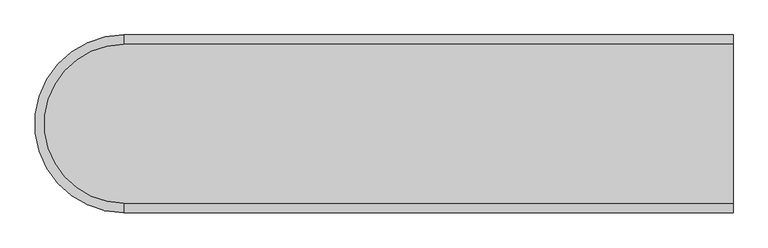
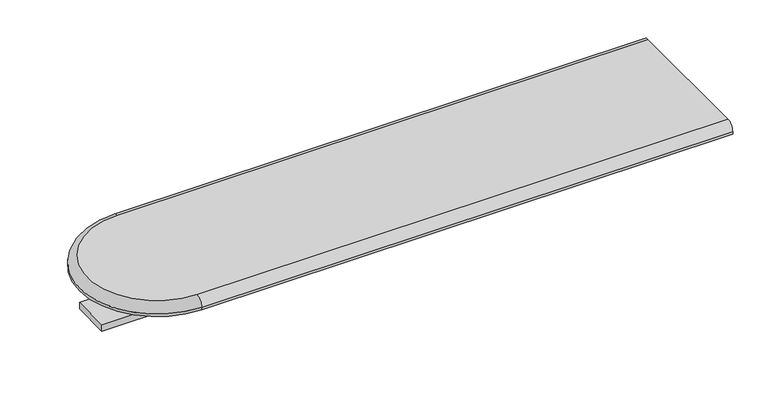
"""IFC4 building model written with IfcOpenShell, lengths in millimetres: furniture geometry."""

from ifc_helpers import new_model, si_unit, point, frame, frame_2d, origin, place, context, project, spatial, polyline, circle_curve, ellipse_curve, trimmed, segment, composite_curve, outline, extrude, source, transform, mapped, element, save
from ifc_brep_helpers import plane_surface, cylinder_surface, revolved_surface, advanced_brep


def furniture_666e672f(model_context):
    return source(origin(), model_context, "Body", "SolidModel", [
        advanced_brep(
        [(-860.8471981, 1154.1353662, 1082.675), (-860.8471981, 836.6353662, 1082.675), (358.3528019, 836.6353662, 1082.675), (358.3528019, 1154.1353662, 1082.675), (-860.8471981, 817.5853662, 1057.274997), (-860.8471981, 1173.1853662, 1057.274997), (358.3528019, 1173.1853662, 1057.274997), (358.3528019, 817.5853662, 1057.274997), (-860.8471981, 817.5853662, 1063.625), (-860.8471981, 1173.1853662, 1063.625), (358.3528019, 817.5853662, 1063.625), (358.3528019, 1173.1853662, 1063.625)],
        [
            (0, 1, circle_curve(frame((-860.8471981, 995.3853662, 1082.675), z_axis=(0.0, 0.0, 1.0), x_axis=(0.0, 1.0, 0.0)), 158.75)),
            (1, 2),
            (2, 3),
            (3, 0),
            (4, 5, circle_curve(frame((-860.8471981, 995.3853662, 1057.274997), z_axis=(0.0, 0.0, -1.0), x_axis=(0.0, 1.0, 0.0)), 177.8)),
            (5, 6),
            (6, 7),
            (7, 4),
            (4, 8),
            (8, 9, circle_curve(frame((-860.8471981, 995.3853662, 1063.625), z_axis=(0.0, 0.0, -1.0), x_axis=(0.0, 1.0, 0.0)), 177.8)),
            (9, 5),
            (0, 9, circle_curve(frame((-860.8471981, 1154.1353662, 1063.625), z_axis=(-1.0, 0.0, 0.0), x_axis=(0.0, 1.0, 0.0)), 19.05)),
            (8, 1, circle_curve(frame((-860.8471981, 836.6353662, 1063.625), z_axis=(-1.0, 0.0, 0.0), x_axis=(0.0, -1.0, 0.0)), 19.05)),
            (2, 10, circle_curve(frame((358.3528019, 836.6353662, 1063.625), z_axis=(1.0, 0.0, 0.0), x_axis=(0.0, 1.0, 0.0)), 19.05)),
            (10, 7),
            (6, 11),
            (11, 3, circle_curve(frame((358.3528019, 1154.1353662, 1063.625), z_axis=(1.0, 0.0, 0.0), x_axis=(0.0, 1.0, 0.0)), 19.05)),
            (8, 10),
            (9, 11),
        ],
        [
            plane_surface(frame((-860.8471981, 995.3853662, 1082.675), z_axis=(0.0, 0.0, 1.0), x_axis=(0.0, 1.0, 0.0))),
            plane_surface(frame((-860.8471981, 995.3853662, 1057.274997), z_axis=(0.0, 0.0, -1.0), x_axis=(0.0, 1.0, 0.0))),
            cylinder_surface(frame((-860.8471981, 995.3853662, 2440.9722001), z_axis=(0.0, 0.0, 1.0), x_axis=(0.0, 1.0, 0.0)), 177.8),
            revolved_surface(trimmed(ellipse_curve(frame((-860.8471981, 1154.1353662, 1063.625), z_axis=(1.0, 0.0, 0.0), x_axis=(0.0, 1.0, 0.0)), 19.05, 19.05), [point((-860.8471981, 1173.1853662, 1063.625))], [point((-860.8471981, 1154.1353662, 1082.675))], True, "CARTESIAN"), (-860.8471981, 995.3853662, 2440.9722001), (0.0, 0.0, 1.0)),
            plane_surface(frame((358.3528019, 855.6853662, 1063.625), z_axis=(1.0, 0.0, 0.0), x_axis=(0.0, 0.0, 1.0))),
            cylinder_surface(frame((-860.8471981, 836.6353662, 1063.625), z_axis=(1.0, 0.0, 0.0), x_axis=(0.0, 1.0, 0.0)), 19.05),
            plane_surface(frame((358.3528019, 817.5853662, 1063.625), z_axis=(0.0, -1.0, -3.367970961531542e-12), x_axis=(-1.0, 0.0, 0.0))),
            plane_surface(frame((358.3528019, 1173.1853662, 1057.274997), z_axis=(0.0, 1.0, 0.0), x_axis=(-1.0, 0.0, 0.0))),
            cylinder_surface(frame((-860.8471981, 1154.1353662, 1063.625), z_axis=(1.0, 0.0, 0.0), x_axis=(0.0, 1.0, 0.0)), 19.05),
        ],
        [
            (0, [[1, 2, 3, 4]]),
            (1, [[5, 6, 7, 8]]),
            (2, [[-5, 9, 10, 11]]),
            (3, [[-1, 12, -10, 13]]),
            (4, [[14, 15, -7, 16, 17, -3]]),
            (5, [[-14, -2, -13, 18]]),
            (6, [[-15, -18, -9, -8]]),
            (7, [[-16, -6, -11, 19]]),
            (8, [[-17, -19, -12, -4]]),
        ],
    ),
        extrude(outline(composite_curve([segment(trimmed(circle_curve(frame_2d((205.9528019, 995.3853662)), 31.75), [point((205.9528019, 963.6353662))], [point((205.9528019, 1027.1353662))], False, "CARTESIAN"), True, "CONTINUOUS"), segment(trimmed(circle_curve(frame_2d((205.9528019, 995.3853662)), 31.75), [point((205.9528019, 1027.1353662))], [point((205.9528019, 963.6353662))], False, "CARTESIAN"), True, "CONTINUOUS")], self_intersect=False)), frame((0.0, 0.0, 993.7749996), z_axis=(0.0, 0.0, 1.0), x_axis=(1.0, 0.0, 0.0)), (0.0, 0.0, 1.0), 63.4999974),
        extrude(outline(composite_curve([segment(trimmed(circle_curve(frame_2d((-327.4471981, 995.3853662)), 31.75), [point((-327.4471981, 963.6353662))], [point((-327.4471981, 1027.1353662))], False, "CARTESIAN"), True, "CONTINUOUS"), segment(trimmed(circle_curve(frame_2d((-327.4471981, 995.3853662)), 31.75), [point((-327.4471981, 1027.1353662))], [point((-327.4471981, 963.6353662))], False, "CARTESIAN"), True, "CONTINUOUS")], self_intersect=False)), frame((0.0, 0.0, 993.7749996), z_axis=(0.0, 0.0, 1.0), x_axis=(1.0, 0.0, 0.0)), (0.0, 0.0, 1.0), 63.4999974),
        extrude(outline(composite_curve([segment(trimmed(circle_curve(frame_2d((-860.8471981, 995.3853662)), 31.75), [point((-860.8471981, 963.6353662))], [point((-860.8471981, 1027.1353662))], False, "CARTESIAN"), True, "CONTINUOUS"), segment(trimmed(circle_curve(frame_2d((-860.8471981, 995.3853662)), 31.75), [point((-860.8471981, 1027.1353662))], [point((-860.8471981, 963.6353662))], False, "CARTESIAN"), True, "CONTINUOUS")], self_intersect=False)), frame((0.0, 0.0, 993.7749996), z_axis=(0.0, 0.0, 1.0), x_axis=(1.0, 0.0, 0.0)), (0.0, 0.0, 1.0), 63.4999974),
        extrude(outline(polyline([(352.0028019, 1039.8353662), (352.0028019, 950.9353693), (-1013.2471981, 950.9353693), (-1013.2471981, 1039.8353662), (352.0028019, 1039.8353662)])), frame((0.0, 0.0, 977.9), z_axis=(0.0, 0.0, 1.0), x_axis=(1.0, 0.0, 0.0)), (0.0, 0.0, 1.0), 15.8749996),
    ])


if __name__ == "__main__":
    model = new_model("IFC4")
    model_context = context("Model", 3, world=origin())
    ifc_project = project(units=[si_unit("LENGTHUNIT", "METRE", prefix="MILLI")], contexts=[model_context])
    site = spatial("IfcSite", under=ifc_project)
    building = spatial("IfcBuilding", under=site)
    placement = place(None, origin())
    furniture_shape = furniture_666e672f(model_context)
    element("IfcFurniture", 1, at=placement, inside=building, context=model_context, shape_type="MappedRepresentation", body=[
        mapped(furniture_shape, transform((0.0, 0.0, 0.0), x_axis=(1.0, 0.0, 0.0), y_axis=(0.0, 1.0, 0.0), z_axis=(0.0, 0.0, 1.0))),
    ])
    save(model, "model.ifc")
